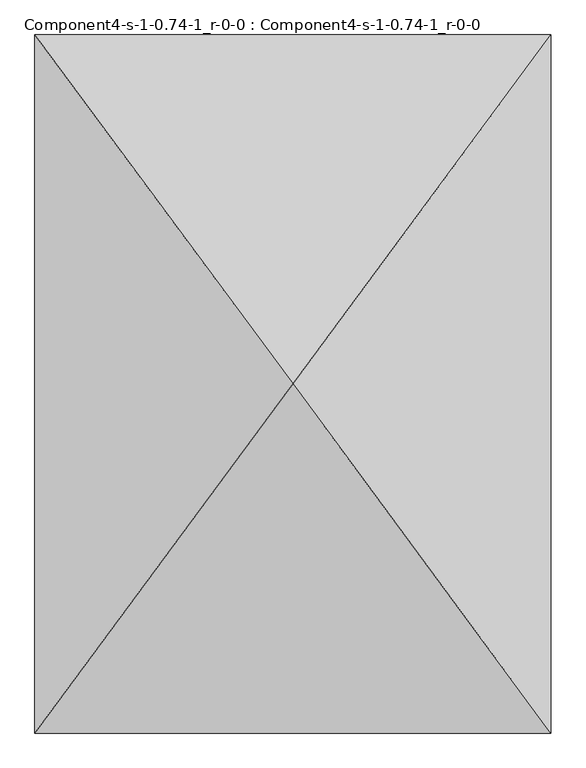
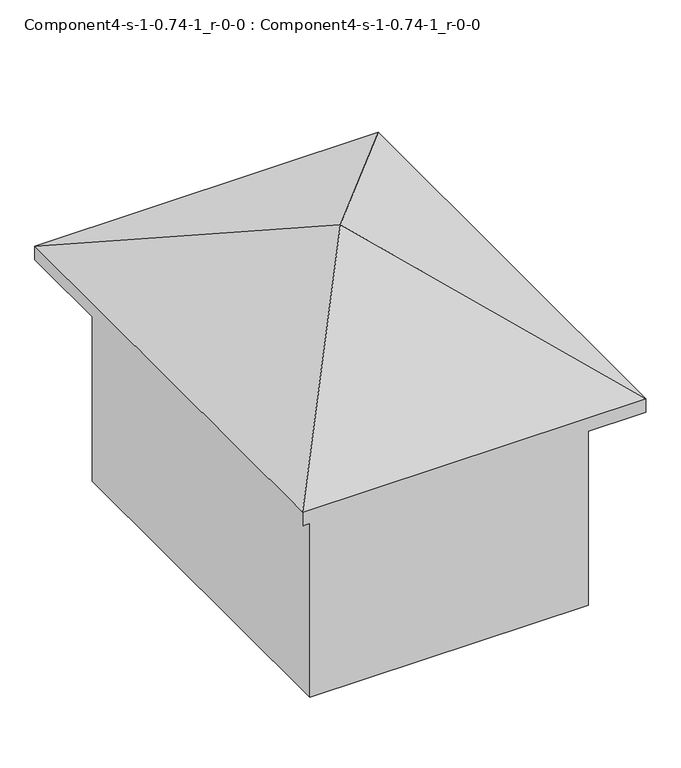
"""IFC4 building model written with IfcOpenShell, lengths in millimetres: geographic element geometry, Component4-s-1-0.74-1_r-0-0 : Component4-s-1-0.74-1_r-0-0."""

from ifc_helpers import new_model, si_unit, origin, place, context, project, spatial, triangles, source, transform, mapped, element, save


def component4_s_1_0_74_1_r_0_0_component4_s_1_0_74_1_r_0_0_dfb37ed6(model_context):
    return source(origin(), model_context, "Body", "Tessellation", [
        triangles([(2397.9584278, 3240.4844719, 4705.35), (0.0, 6480.9689438, 3263.8999031), (0.0, 0.0, 3263.8999031), (4795.9168556, 6480.9689438, 3263.8999031), (4795.9168556, 0.0, 3263.8999031), (4795.9168556, 6480.9689438, 3060.7000969), (0.0, 0.0, 3060.7000969), (0.0, 6480.9689438, 3060.7000969), (4795.9168556, 0.0, 3060.7000969), (4344.8129951, 5871.3689438, 0.0), (451.1040058, 609.6, 0.0), (451.1040058, 5871.3689438, 0.0), (4344.8129951, 609.6, 0.0), (4344.8129951, 609.6, 3263.8999031), (451.1040058, 609.6, 3263.8999031), (4344.8129951, 5871.3689438, 3263.8999031), (451.1040058, 5871.3689438, 3263.8999031)], [[1, 2, 3], [4, 2, 1], [5, 1, 3], [4, 1, 5], [6, 7, 8], [7, 6, 9], [2, 7, 3], [7, 2, 8], [2, 6, 8], [6, 2, 4], [6, 5, 9], [5, 6, 4], [5, 7, 9], [7, 5, 3], [10, 11, 12], [11, 10, 13], [14, 11, 13], [11, 14, 15], [10, 14, 13], [14, 10, 16], [17, 10, 12], [10, 17, 16], [17, 11, 15], [11, 17, 12], [14, 17, 15], [17, 14, 16]]),
    ])


if __name__ == "__main__":
    model = new_model("IFC4")
    model_context = context("Model", 3, world=origin())
    ifc_project = project(units=[si_unit("LENGTHUNIT", "METRE", prefix="MILLI")], contexts=[model_context])
    site = spatial("IfcSite", under=ifc_project)
    building = spatial("IfcBuilding", under=site)
    placement = place(None, origin())
    component4_s_1_0_74_1_r_0_0_component4_s_1_0_74_1_r_0_0_shape = component4_s_1_0_74_1_r_0_0_component4_s_1_0_74_1_r_0_0_dfb37ed6(model_context)
    element("IfcGeographicElement", 1, ObjectType="Component4-s-1-0.74-1_r-0-0 : Component4-s-1-0.74-1_r-0-0", at=placement, inside=building, context=model_context, shape_type="MappedRepresentation", body=[
        mapped(component4_s_1_0_74_1_r_0_0_component4_s_1_0_74_1_r_0_0_shape, transform((0.0, 0.0, 0.0), x_axis=(1.0, 0.0, 0.0), y_axis=(0.0, 1.0, 0.0), z_axis=(0.0, 0.0, 1.0))),
    ])
    save(model, "model.ifc")
